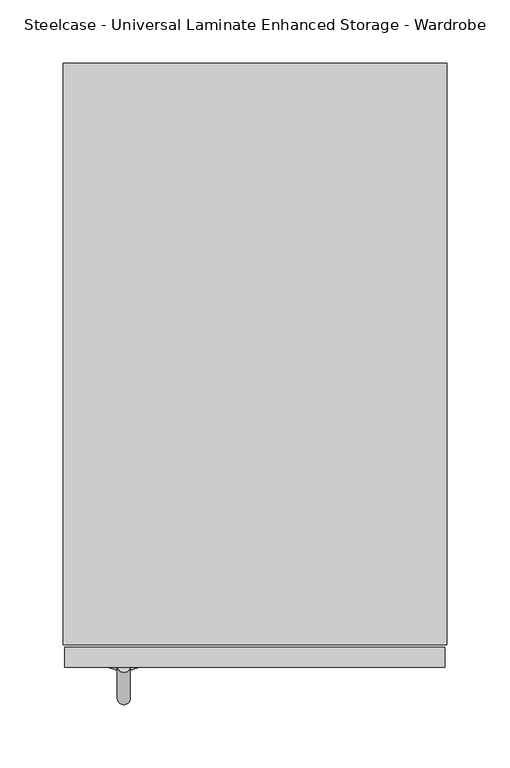
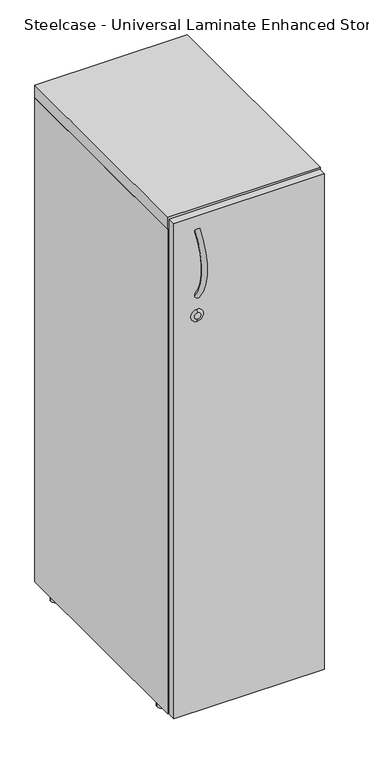
"""IFC4 building model written with IfcOpenShell, lengths in millimetres: furniture geometry, Steelcase - Universal Laminate Enhanced Storage - Wardrobe."""

from ifc_helpers import new_model, si_unit, point, frame, frame_2d, origin, place, context, project, spatial, polyline, circle_curve, ellipse_curve, trimmed, segment, composite_curve, outline, extrude, source, transform, mapped, element, save
from ifc_brep_helpers import plane_surface, revolved_surface, advanced_brep


def steelcase_universal_laminate_enhanced_storage_wardrobe_ba033af4(model_context):
    return source(origin(), model_context, "Body", "SolidModel", [
        extrude(outline(composite_curve([segment(trimmed(circle_curve(frame_2d((12.6999939, -50.1263632)), 9.652), [point((3.0479939, -50.1263632))], [point((22.3519939, -50.1263632))], False, "CARTESIAN"), True, "CONTINUOUS"), segment(trimmed(circle_curve(frame_2d((12.6999939, -50.1263632)), 9.652), [point((22.3519939, -50.1263632))], [point((3.0479939, -50.1263632))], False, "CARTESIAN"), True, "CONTINUOUS")], self_intersect=False)), frame((0.0, 0.0, -4.8000931), z_axis=(0.0, 0.0, 1.0), x_axis=(1.0, 0.0, 0.0)), (0.0, 0.0, 1.0), 11.43),
        extrude(outline(composite_curve([segment(trimmed(circle_curve(frame_2d((12.6999939, -419.1501301)), 9.652), [point((3.0479939, -419.1501301))], [point((22.3519939, -419.1501301))], False, "CARTESIAN"), True, "CONTINUOUS"), segment(trimmed(circle_curve(frame_2d((12.6999939, -419.1501301)), 9.652), [point((22.3519939, -419.1501301))], [point((3.0479939, -419.1501301))], False, "CARTESIAN"), True, "CONTINUOUS")], self_intersect=False)), frame((0.0, 0.0, -4.8000931), z_axis=(0.0, 0.0, 1.0), x_axis=(1.0, 0.0, 0.0)), (0.0, 0.0, 1.0), 11.43),
        extrude(outline(composite_curve([segment(trimmed(circle_curve(frame_2d((290.1950061, -419.2238855)), 9.652), [point((280.5430061, -419.2238855))], [point((299.8470061, -419.2238855))], False, "CARTESIAN"), True, "CONTINUOUS"), segment(trimmed(circle_curve(frame_2d((290.1950061, -419.2238855)), 9.652), [point((299.8470061, -419.2238855))], [point((280.5430061, -419.2238855))], False, "CARTESIAN"), True, "CONTINUOUS")], self_intersect=False)), frame((0.0, 0.0, -4.8000931), z_axis=(0.0, 0.0, 1.0), x_axis=(1.0, 0.0, 0.0)), (0.0, 0.0, 1.0), 11.43),
        extrude(outline(composite_curve([segment(trimmed(circle_curve(frame_2d((290.1950061, -46.8930349)), 9.652), [point((280.5430061, -46.8930349))], [point((299.8470061, -46.8930349))], False, "CARTESIAN"), True, "CONTINUOUS"), segment(trimmed(circle_curve(frame_2d((290.1950061, -46.8930349)), 9.652), [point((299.8470061, -46.8930349))], [point((280.5430061, -46.8930349))], False, "CARTESIAN"), True, "CONTINUOUS")], self_intersect=False)), frame((0.0, 0.0, -4.8000931), z_axis=(0.0, 0.0, 1.0), x_axis=(1.0, 0.0, 0.0)), (0.0, 0.0, 1.0), 11.43),
        advanced_brep(
        [(48.26, -481.6784661, 839.0364329), (48.26, -481.6784661, 851.7364329), (48.26, -479.552, 832.6864329), (48.26, -479.552, 858.0864329)],
        [
            (0, 1, circle_curve(frame((48.26, -481.6784661, 845.3864329), z_axis=(0.0, -1.0, 0.0), x_axis=(0.0, 0.0, -1.0)), 6.35)),
            (1, 0, circle_curve(frame((48.26, -481.6784661, 845.3864329), z_axis=(0.0, -1.0, 0.0), x_axis=(0.0, 0.0, 1.0)), 6.35)),
            (2, 3, circle_curve(frame((48.26, -479.552, 845.3864329), z_axis=(0.0, 1.0, 0.0), x_axis=(0.0, 0.0, 1.0)), 12.7)),
            (3, 2, circle_curve(frame((48.26, -479.552, 845.3864329), z_axis=(0.0, 1.0, 0.0), x_axis=(0.0, 0.0, -1.0)), 12.7)),
            (3, 1),
            (0, 2),
        ],
        [
            plane_surface(frame((48.26, -481.6784661, 845.3864329), z_axis=(0.0, -1.0, 0.0), x_axis=(1.0, 0.0, 0.0))),
            plane_surface(frame((48.26, -479.552, 845.3864329), z_axis=(0.0, 1.0, 0.0), x_axis=(1.0, 0.0, 0.0))),
            revolved_surface(polyline([(48.26, -481.6784661, 839.0364327506911), (48.26, -479.552, 832.6864329)]), (48.26, -483.8049323, 845.3864329), (0.0, 1.0, 0.0)),
            revolved_surface(polyline([(48.26, -481.6784661, 851.7364330493089), (48.26, -479.552, 858.0864329)]), (48.26, -483.8049323, 845.3864329), (0.0, 1.0, 0.0)),
        ],
        [
            (0, [[1, 2]]),
            (1, [[3, 4]]),
            (2, [[-4, 5, -1, 6]]),
            (3, [[-3, -6, -2, -5]]),
        ],
    ),
        extrude(outline(polyline([(278.7998428, -3.2840113), (278.7998428, -19.7540452), (26.0001572, -19.7540452), (26.0001572, -3.2840113), (278.7998428, -3.2840113)])), frame((0.0, 0.0, 6.6299069), z_axis=(0.0, 0.0, 1.0), x_axis=(1.0, 0.0, 0.0)), (0.0, 0.0, 1.0), 1025.144),
        advanced_brep(
        [(43.18, -479.552, 1027.3950084), (53.34, -479.552, 1027.3950084), (43.18, -479.552, 887.6950084), (53.34, -479.552, 887.6950084)],
        [
            (0, 1, circle_curve(frame((48.26, -479.552, 1027.3950084), z_axis=(0.0, 0.6393686539695346, 0.7689003344525125), x_axis=(1.0, 0.0, 0.0)), 5.08)),
            (1, 0, circle_curve(frame((48.26, -479.552, 1027.3950084), z_axis=(0.0, 0.6393686539695346, 0.7689003344525125), x_axis=(1.0, 0.0, 0.0)), 5.08)),
            (2, 3, circle_curve(frame((48.26, -479.552, 887.6950084), z_axis=(0.0, 0.6393686539695209, -0.7689003344525239), x_axis=(1.0, 0.0, 0.0)), 5.08)),
            (3, 2, circle_curve(frame((48.26, -479.552, 887.6950084), z_axis=(0.0, 0.6393686539695209, -0.7689003344525239), x_axis=(1.0, 0.0, 0.0)), 5.08)),
            (3, 1, circle_curve(frame((53.34, -395.5508717, 957.5450084), z_axis=(-1.0, 0.0, 0.0), x_axis=(0.0, -0.7689003344525125, 0.6393686539695346)), 109.2483962)),
            (0, 2, circle_curve(frame((43.18, -395.5508717, 957.5450084), z_axis=(1.0, 0.0, 0.0), x_axis=(0.0, -0.7689003344525125, 0.6393686539695346)), 109.2483962)),
        ],
        [
            plane_surface(frame((48.26, -479.552, 1027.3950084), z_axis=(0.0, 0.6393686539695346, 0.7689003344525125), x_axis=(1.0, 0.0, 0.0))),
            plane_surface(frame((48.26, -479.552, 887.6950084), z_axis=(0.0, 0.6393686539695208, -0.7689003344525239), x_axis=(1.0, 0.0, 0.0))),
            revolved_surface(trimmed(ellipse_curve(frame((48.26, -479.552, 1027.3950084), z_axis=(0.0, 0.6393686539695346, 0.7689003344525125), x_axis=(1.0, 0.0, 0.0)), 5.08, 5.08), [point((43.18, -479.552, 1027.3950084))], [point((53.34, -479.552, 1027.3950084))], True, "CARTESIAN"), (48.26, -395.5508717, 957.5450084), (1.0, 0.0, 0.0)),
            revolved_surface(trimmed(ellipse_curve(frame((48.26, -479.552, 1027.3950084), z_axis=(0.0, 0.6393686539695346, 0.7689003344525125), x_axis=(1.0, 0.0, 0.0)), 5.08, 5.08), [point((53.34, -479.552, 1027.3950084))], [point((43.18, -479.552, 1027.3950084))], True, "CARTESIAN"), (48.26, -395.5508717, 957.5450084), (1.0, 0.0, 0.0)),
        ],
        [
            (0, [[1, 2]]),
            (1, [[3, 4]]),
            (2, [[5, -1, 6, -4]]),
            (3, [[-6, -2, -5, -3]]),
        ],
    ),
        extrude(outline(polyline([(303.3000916, -479.552), (1.4999084, -479.552), (1.4999084, -463.684143), (303.3000916, -463.684143), (303.3000916, -479.552)])), frame((0.0, 0.0, 6.6299069), z_axis=(0.0, 0.0, 1.0), x_axis=(1.0, 0.0, 0.0)), (0.0, 0.0, 1.0), 1048.8942596),
        extrude(outline(polyline([(278.7998428, -0.254), (278.7998428, -461.1840049), (26.0001572, -461.1840049), (26.0001572, -0.254), (278.7998428, -0.254)])), frame((0.0, 0.0, 6.6299069), z_axis=(0.0, 0.0, 1.0), x_axis=(1.0, 0.0, 0.0)), (0.0, 0.0, 1.0), 8.6076623),
        extrude(outline(polyline([(304.8, -0.254), (304.8, -461.684047), (0.0, -461.684047), (0.0, -0.254), (304.8, -0.254)])), frame((0.0, 0.0, 1033.2978585), z_axis=(0.0, 0.0, 1.0), x_axis=(1.0, 0.0, 0.0)), (0.0, 0.0, 1.0), 25.4000484),
        extrude(outline(polyline([(26.0001572, -0.254), (26.0001572, -461.1840049), (0.0, -461.1840049), (0.0, -0.254), (26.0001572, -0.254)])), frame((0.0, 0.0, 6.6299069), z_axis=(0.0, 0.0, 1.0), x_axis=(1.0, 0.0, 0.0)), (0.0, 0.0, 1.0), 1025.144),
        extrude(outline(polyline([(278.7998428, -461.1840049), (278.7998428, -0.254), (304.8, -0.254), (304.8, -461.1840049), (278.7998428, -461.1840049)])), frame((0.0, 0.0, 6.6299069), z_axis=(0.0, 0.0, 1.0), x_axis=(1.0, 0.0, 0.0)), (0.0, 0.0, 1.0), 1025.144),
    ])


if __name__ == "__main__":
    model = new_model("IFC4")
    model_context = context("Model", 3, world=origin())
    ifc_project = project(units=[si_unit("LENGTHUNIT", "METRE", prefix="MILLI")], contexts=[model_context])
    site = spatial("IfcSite", under=ifc_project)
    building = spatial("IfcBuilding", under=site)
    placement = place(None, origin())
    steelcase_universal_laminate_enhanced_storage_wardrobe_shape = steelcase_universal_laminate_enhanced_storage_wardrobe_ba033af4(model_context)
    element("IfcFurniture", 1, ObjectType="Steelcase - Universal Laminate Enhanced Storage - Wardrobe", at=placement, inside=building, context=model_context, shape_type="MappedRepresentation", body=[
        mapped(steelcase_universal_laminate_enhanced_storage_wardrobe_shape, transform((0.0, 0.0, 0.0), x_axis=(1.0, 0.0, 0.0), y_axis=(0.0, 1.0, 0.0), z_axis=(0.0, 0.0, 1.0))),
    ])
    save(model, "model.ifc")
